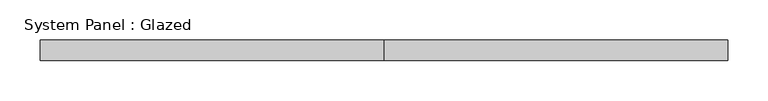
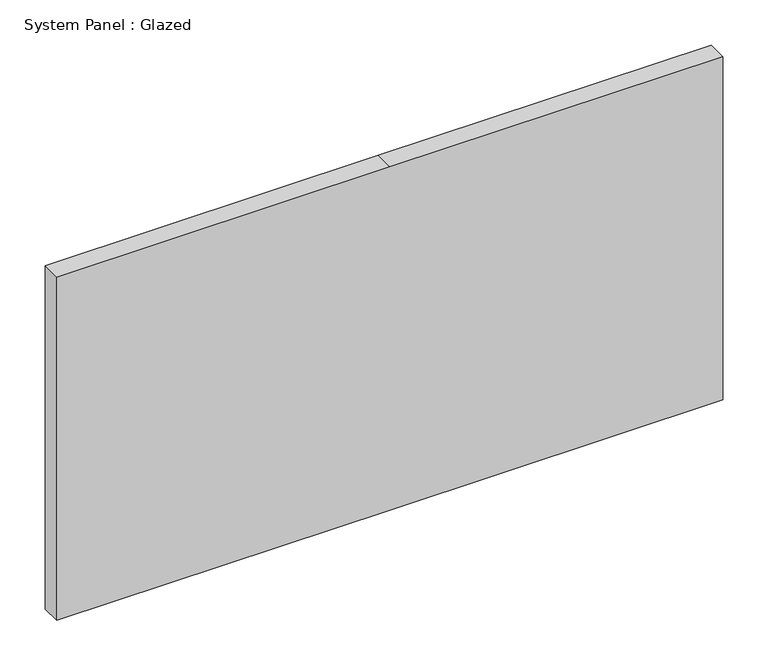
"""IFC4 building model written with IfcOpenShell, lengths in millimetres: plate geometry, System Panel : Glazed."""

from ifc_helpers import new_model, si_unit, frame, origin, place, context, project, spatial, polyline, outline, extrude, source, transform, mapped, element, save


def system_panel_glazed_698b4835(model_context):
    return source(origin(), model_context, "Body", "SweptSolid", [
        extrude(outline(polyline([(0.0, -425.45), (0.0, 0.0), (0.0, 425.45), (463.55, 425.45), (463.55, 0.0), (463.55, -425.45), (0.0, -425.45)])), frame((0.0, 19.05, 0.0), z_axis=(0.0, 1.0, 0.0), x_axis=(0.0, 0.0, 1.0)), (0.0, 0.0, 1.0), 25.4),
    ])


if __name__ == "__main__":
    model = new_model("IFC4")
    model_context = context("Model", 3, world=origin())
    ifc_project = project(units=[si_unit("LENGTHUNIT", "METRE", prefix="MILLI")], contexts=[model_context])
    site = spatial("IfcSite", under=ifc_project)
    building = spatial("IfcBuilding", under=site)
    placement = place(None, origin())
    system_panel_glazed_shape = system_panel_glazed_698b4835(model_context)
    element("IfcPlate", 1, ObjectType="System Panel : Glazed", at=placement, inside=building, context=model_context, shape_type="MappedRepresentation", body=[
        mapped(system_panel_glazed_shape, transform((0.0, 0.0, 0.0), x_axis=(1.0, 0.0, 0.0), y_axis=(0.0, 1.0, 0.0), z_axis=(0.0, 0.0, 1.0))),
    ])
    save(model, "model.ifc")
